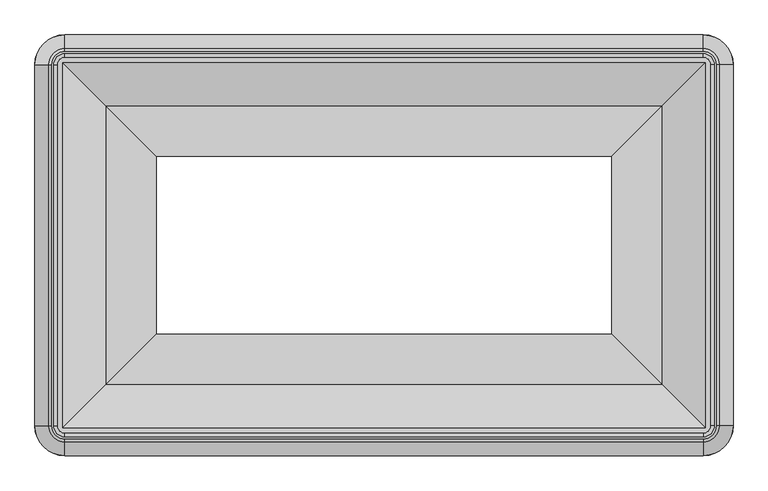
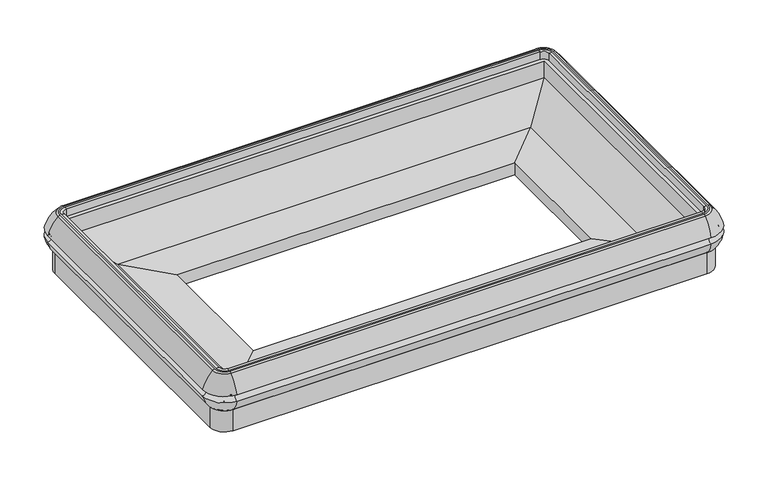
"""IFC4 building model written with IfcOpenShell, lengths in millimetres: proxy geometry."""

from ifc_helpers import new_model, si_unit, point, frame, origin, place, context, project, spatial, polyline, circle_curve, ellipse_curve, trimmed, faceted_brep, source, transform, mapped, element, save
from ifc_brep_helpers import plane_surface, cylinder_surface, revolved_surface, advanced_brep


def mechanical_equipment_9af1dbcc(model_context):
    return source(origin(), model_context, "Body", "SolidModel", [
        advanced_brep(
        [(128.5372773, -1962.3625666, 567.3742005), (128.5372773, -1932.3707266, 504.5515988), (2554.3377227, -1932.3707266, 504.5515988), (2554.3377227, -1962.3625666, 567.3742005), (128.5372773, -1962.1829338, 602.1833335), (2554.3377227, -1962.1829338, 602.1833335), (128.5372773, -1911.1133562, 687.0906109), (2554.3377227, -1911.1133562, 687.0906109), (128.5372773, -1900.315694, 691.321886), (2554.3377227, -1900.315694, 691.321886), (128.5372773, -1877.2754027, 690.9584783), (128.5372773, -1890.77385, 691.321886), (2554.3377227, -1890.77385, 691.321886), (2554.3377227, -1877.2754027, 690.9584783), (128.5372773, -1877.2754027, 649.6873876), (2554.3377227, -1877.2754027, 649.6873876), (128.5372773, -1894.7830557, 530.05355), (128.5372773, -1894.7830557, 649.6873876), (2554.3377227, -1894.7830557, 649.6873876), (2554.3377227, -1894.7830557, 530.05355), (128.5372773, -1855.3824045, 502.405218), (2554.3377227, -1855.3824045, 502.405218), (128.5372773, -1927.6069109, 502.4019738), (2554.3377227, -1927.6069109, 502.4019738), (2667.4554393, -1849.24485, 567.3742005), (2637.4635993, -1849.24485, 504.5515988), (2667.2758065, -1849.24485, 602.1833335), (2616.2062289, -1849.24485, 687.0906109), (2605.4085667, -1849.24485, 691.321886), (2582.3682754, -1849.24485, 690.9584783), (2595.8667227, -1849.24485, 691.321886), (2582.3682754, -1849.24485, 649.6873876), (2599.8759284, -1849.24485, 530.05355), (2599.8759284, -1849.24485, 649.6873876), (2560.4752772, -1849.24485, 502.405218), (2632.6997836, -1849.24485, 502.4019738), (2637.4635993, -477.5444046, 504.5515988), (2667.4554393, -477.5444046, 567.3742005), (2667.2758065, -477.5444046, 602.1833335), (2616.2062289, -477.5444046, 687.0906109), (2605.4085667, -477.5444046, 691.321886), (2595.8667227, -477.5444046, 691.321886), (2582.3682754, -477.5444046, 690.9584783), (2582.3682754, -477.5444046, 649.6873876), (2599.8759284, -477.5444046, 649.6873876), (2599.8759284, -477.5444046, 530.05355), (2560.4752772, -477.5444046, 502.405218), (2632.6997836, -477.5444046, 502.4019738), (2554.3377227, -364.426688, 567.3742005), (2554.3377227, -394.418528, 504.5515988), (2554.3377227, -364.6063208, 602.1833335), (2554.3377227, -415.6758984, 687.0906109), (2554.3377227, -426.4735606, 691.321886), (2554.3377227, -449.5138519, 690.9584783), (2554.3377227, -436.0154046, 691.321886), (2554.3377227, -449.5138519, 649.6873876), (2554.3377227, -432.0061989, 530.05355), (2554.3377227, -432.0061989, 649.6873876), (2554.3377227, -471.4068501, 502.405218), (2554.3377227, -399.1823437, 502.4019738), (128.5372773, -394.418528, 504.5515988), (128.5372773, -364.426688, 567.3742005), (128.5372773, -364.6063208, 602.1833335), (128.5372773, -415.6758984, 687.0906109), (128.5372773, -426.4735606, 691.321886), (128.5372773, -436.0154046, 691.321886), (128.5372773, -449.5138519, 690.9584783), (128.5372773, -449.5138519, 649.6873876), (128.5372773, -432.0061989, 649.6873876), (128.5372773, -432.0061989, 530.05355), (128.5372773, -471.4068501, 502.405218), (128.5372773, -399.1823437, 502.4019738), (128.5372773, -1906.609561, 418.2976265), (128.5372773, -1906.609561, 502.405218), (2554.3377227, -1906.609561, 502.405218), (2554.3377227, -1906.609561, 418.2976265), (128.5372773, -1910.71285, 395.026718), (2554.3377227, -1910.71285, 395.026718), (128.5372773, -1910.71285, 384.485718), (2554.3377227, -1910.71285, 384.485718), (128.5372773, -1925.44485, 502.4019738), (128.5372773, -1925.44485, 384.485718), (2554.3377227, -1925.44485, 384.485718), (2554.3377227, -1925.44485, 502.4019738), (2611.7024337, -1849.24485, 418.2976265), (2611.7024337, -1849.24485, 502.405218), (2615.8057227, -1849.24485, 395.026718), (2615.8057227, -1849.24485, 384.485718), (2630.5377227, -1849.24485, 502.4019738), (2630.5377227, -1849.24485, 384.485718), (2611.7024337, -477.5444046, 502.405218), (2611.7024337, -477.5444046, 418.2976265), (2615.8057227, -477.5444046, 395.026718), (2615.8057227, -477.5444046, 384.485718), (2630.5377227, -477.5444046, 384.485718), (2630.5377227, -477.5444046, 502.4019738), (2554.3377227, -420.1796936, 418.2976265), (2554.3377227, -420.1796936, 502.405218), (2554.3377227, -416.0764046, 395.026718), (2554.3377227, -416.0764046, 384.485718), (2554.3377227, -401.3444046, 502.4019738), (2554.3377227, -401.3444046, 384.485718), (128.5372773, -420.1796936, 502.405218), (128.5372773, -420.1796936, 418.2976265), (128.5372773, -416.0764046, 395.026718), (128.5372773, -416.0764046, 384.485718), (128.5372773, -401.3444046, 384.485718), (128.5372773, -401.3444046, 502.4019738), (15.4195607, -477.5444046, 567.3742005), (45.4114007, -477.5444046, 504.5515988), (15.5991935, -477.5444046, 602.1833335), (66.6687711, -477.5444046, 687.0906109), (77.4664333, -477.5444046, 691.321886), (100.5067246, -477.5444046, 690.9584783), (87.0082773, -477.5444046, 691.321886), (100.5067246, -477.5444046, 649.6873876), (82.9990716, -477.5444046, 530.05355), (82.9990716, -477.5444046, 649.6873876), (122.3997228, -477.5444046, 502.405218), (71.1725663, -477.5444046, 418.2976265), (71.1725663, -477.5444046, 502.405218), (67.0692773, -477.5444046, 395.026718), (67.0692773, -477.5444046, 384.485718), (52.3372773, -477.5444046, 502.4019738), (52.3372773, -477.5444046, 384.485718), (50.1752164, -477.5444046, 502.4019738), (45.4114007, -1849.24485, 504.5515988), (15.4195607, -1849.24485, 567.3742005), (15.5991935, -1849.24485, 602.1833335), (66.6687711, -1849.24485, 687.0906109), (77.4664333, -1849.24485, 691.321886), (87.0082773, -1849.24485, 691.321886), (100.5067246, -1849.24485, 690.9584783), (100.5067246, -1849.24485, 649.6873876), (82.9990716, -1849.24485, 649.6873876), (82.9990716, -1849.24485, 530.05355), (122.3997228, -1849.24485, 502.405218), (71.1725663, -1849.24485, 502.405218), (71.1725663, -1849.24485, 418.2976265), (67.0692773, -1849.24485, 395.026718), (67.0692773, -1849.24485, 384.485718), (52.3372773, -1849.24485, 384.485718), (52.3372773, -1849.24485, 502.4019738), (50.1752164, -1849.24485, 502.4019738)],
        [
            (0, 1, circle_curve(frame((128.5372773, -1837.1426231, 588.5844274), z_axis=(1.0, 0.0, 0.0), x_axis=(0.0, 1.0, 0.0)), 127.0035747)),
            (1, 2),
            (2, 3, circle_curve(frame((2554.3377227, -1837.1426231, 588.5844274), z_axis=(-1.0, 0.0, 0.0), x_axis=(0.0, 1.0, 0.0)), 127.0035747)),
            (3, 0),
            (4, 0, circle_curve(frame((128.5372773, -1960.5572854, 584.7699144), z_axis=(-1.0, 0.0, 0.0), x_axis=(0.0, 1.0, 0.0)), 17.4891366)),
            (3, 5, circle_curve(frame((2554.3377227, -1960.5572854, 584.7699144), z_axis=(1.0, 0.0, 0.0), x_axis=(0.0, 1.0, 0.0)), 17.4891366)),
            (5, 4),
            (6, 4, circle_curve(frame((128.5372773, -1790.3001749, 556.6123735), z_axis=(1.0, 0.0, 0.0), x_axis=(0.0, 1.0, 0.0)), 177.8212451)),
            (5, 7, circle_curve(frame((2554.3377227, -1790.3001749, 556.6123735), z_axis=(-1.0, 0.0, 0.0), x_axis=(0.0, 1.0, 0.0)), 177.8212451)),
            (7, 6),
            (8, 6, circle_curve(frame((128.5372773, -1900.315694, 675.4291356), z_axis=(1.0, 0.0, 0.0), x_axis=(0.0, 1.0, 0.0)), 15.8927504)),
            (7, 9, circle_curve(frame((2554.3377227, -1900.315694, 675.4291356), z_axis=(-1.0, 0.0, 0.0), x_axis=(0.0, 1.0, 0.0)), 15.8927504)),
            (9, 8),
            (10, 11),
            (11, 12),
            (12, 13),
            (13, 10),
            (14, 10),
            (13, 15),
            (15, 14),
            (16, 17),
            (17, 18),
            (18, 19),
            (19, 16),
            (20, 16),
            (19, 21),
            (21, 20),
            (1, 22, circle_curve(frame((128.5372773, -1927.6069109, 508.7553674), z_axis=(1.0, 0.0, 0.0), x_axis=(0.0, 1.0, 0.0)), 6.3533936)),
            (22, 23),
            (23, 2, circle_curve(frame((2554.3377227, -1927.6069109, 508.7553674), z_axis=(-1.0, 0.0, 0.0), x_axis=(0.0, 1.0, 0.0)), 6.3533936)),
            (24, 3, circle_curve(frame((2554.3377227, -1849.24485, 567.3742005), z_axis=(0.0, 0.0, -1.0), x_axis=(0.0, -1.0, 0.0)), 113.1177166)),
            (2, 25, circle_curve(frame((2554.3377227, -1849.24485, 504.5515988), z_axis=(0.0, 0.0, 1.0), x_axis=(0.0, -1.0, 0.0)), 83.1258766)),
            (25, 24, circle_curve(frame((2542.2354958, -1849.24485, 588.5844274), z_axis=(0.0, -1.0, 0.0), x_axis=(-1.0, 0.0, 0.0)), 127.0035747)),
            (26, 5, circle_curve(frame((2554.3377227, -1849.24485, 602.1833335), z_axis=(0.0, 0.0, -1.0), x_axis=(0.0, -1.0, 0.0)), 112.9380838)),
            (24, 26, circle_curve(frame((2665.6501581, -1849.24485, 584.7699144), z_axis=(0.0, 1.0, 0.0), x_axis=(-1.0, 0.0, 0.0)), 17.4891366)),
            (27, 7, circle_curve(frame((2554.3377227, -1849.24485, 687.0906109), z_axis=(0.0, 0.0, -1.0), x_axis=(0.0, -1.0, 0.0)), 61.8685062)),
            (26, 27, circle_curve(frame((2495.3930476, -1849.24485, 556.6123735), z_axis=(0.0, -1.0, 0.0), x_axis=(-1.0, 0.0, 0.0)), 177.8212451)),
            (28, 9, circle_curve(frame((2554.3377227, -1849.24485, 691.321886), z_axis=(0.0, 0.0, -1.0), x_axis=(0.0, -1.0, 0.0)), 51.070844)),
            (27, 28, circle_curve(frame((2605.4085667, -1849.24485, 675.4291356), z_axis=(0.0, -1.0, 0.0), x_axis=(-1.0, 0.0, 0.0)), 15.8927504)),
            (29, 13, circle_curve(frame((2554.3377227, -1849.24485, 690.9584783), z_axis=(0.0, 0.0, -1.0), x_axis=(0.0, -1.0, 0.0)), 28.0305527)),
            (12, 30, circle_curve(frame((2554.3377227, -1849.24485, 691.321886), z_axis=(0.0, 0.0, 1.0), x_axis=(0.0, -1.0, 0.0)), 41.529)),
            (30, 29),
            (31, 15, circle_curve(frame((2554.3377227, -1849.24485, 649.6873876), z_axis=(0.0, 0.0, -1.0), x_axis=(0.0, -1.0, 0.0)), 28.0305527)),
            (29, 31),
            (32, 19, circle_curve(frame((2554.3377227, -1849.24485, 530.05355), z_axis=(0.0, 0.0, -1.0), x_axis=(0.0, -1.0, 0.0)), 45.5382057)),
            (18, 33, circle_curve(frame((2554.3377227, -1849.24485, 649.6873876), z_axis=(0.0, 0.0, 1.0), x_axis=(0.0, -1.0, 0.0)), 45.5382057)),
            (33, 32),
            (34, 21, circle_curve(frame((2554.3377227, -1849.24485, 502.405218), z_axis=(0.0, 0.0, -1.0), x_axis=(0.0, -1.0, 0.0)), 6.1375545)),
            (32, 34),
            (23, 35, circle_curve(frame((2554.3377227, -1849.24485, 502.4019738), z_axis=(0.0, 0.0, 1.0), x_axis=(0.0, -1.0, 0.0)), 78.3620609)),
            (35, 25, circle_curve(frame((2632.6997836, -1849.24485, 508.7553674), z_axis=(0.0, -1.0, 0.0), x_axis=(-1.0, 0.0, 0.0)), 6.3533936)),
            (25, 36),
            (36, 37, circle_curve(frame((2542.2354958, -477.5444046, 588.5844274), z_axis=(0.0, -1.0, 0.0), x_axis=(-1.0, 0.0, 0.0)), 127.0035747)),
            (37, 24),
            (37, 38, circle_curve(frame((2665.6501581, -477.5444046, 584.7699144), z_axis=(0.0, 1.0, 0.0), x_axis=(-1.0, 0.0, 0.0)), 17.4891366)),
            (38, 26),
            (38, 39, circle_curve(frame((2495.3930476, -477.5444046, 556.6123735), z_axis=(0.0, -1.0, 0.0), x_axis=(-1.0, 0.0, 0.0)), 177.8212451)),
            (39, 27),
            (39, 40, circle_curve(frame((2605.4085667, -477.5444046, 675.4291356), z_axis=(0.0, -1.0, 0.0), x_axis=(-1.0, 0.0, 0.0)), 15.8927504)),
            (40, 28),
            (30, 41),
            (41, 42),
            (42, 29),
            (42, 43),
            (43, 31),
            (33, 44),
            (44, 45),
            (45, 32),
            (45, 46),
            (46, 34),
            (35, 47),
            (47, 36, circle_curve(frame((2632.6997836, -477.5444046, 508.7553674), z_axis=(0.0, -1.0, 0.0), x_axis=(-1.0, 0.0, 0.0)), 6.3533936)),
            (48, 37, circle_curve(frame((2554.3377227, -477.5444046, 567.3742005), z_axis=(0.0, 0.0, -1.0), x_axis=(1.0, 0.0, 0.0)), 113.1177166)),
            (36, 49, circle_curve(frame((2554.3377227, -477.5444046, 504.5515988), z_axis=(0.0, 0.0, 1.0), x_axis=(1.0, 0.0, 0.0)), 83.1258766)),
            (49, 48, circle_curve(frame((2554.3377227, -489.6466315, 588.5844274), z_axis=(1.0, 0.0, 0.0), x_axis=(0.0, -1.0, 0.0)), 127.0035747)),
            (50, 38, circle_curve(frame((2554.3377227, -477.5444046, 602.1833335), z_axis=(0.0, 0.0, -1.0), x_axis=(1.0, 0.0, 0.0)), 112.9380838)),
            (48, 50, circle_curve(frame((2554.3377227, -366.2319692, 584.7699144), z_axis=(-1.0, 0.0, 0.0), x_axis=(0.0, -1.0, 0.0)), 17.4891366)),
            (51, 39, circle_curve(frame((2554.3377227, -477.5444046, 687.0906109), z_axis=(0.0, 0.0, -1.0), x_axis=(1.0, 0.0, 0.0)), 61.8685062)),
            (50, 51, circle_curve(frame((2554.3377227, -536.4890797, 556.6123735), z_axis=(1.0, 0.0, 0.0), x_axis=(0.0, -1.0, 0.0)), 177.8212451)),
            (52, 40, circle_curve(frame((2554.3377227, -477.5444046, 691.321886), z_axis=(0.0, 0.0, -1.0), x_axis=(1.0, 0.0, 0.0)), 51.070844)),
            (51, 52, circle_curve(frame((2554.3377227, -426.4735606, 675.4291356), z_axis=(1.0, 0.0, 0.0), x_axis=(0.0, -1.0, 0.0)), 15.8927504)),
            (53, 42, circle_curve(frame((2554.3377227, -477.5444046, 690.9584783), z_axis=(0.0, 0.0, -1.0), x_axis=(1.0, 0.0, 0.0)), 28.0305527)),
            (41, 54, circle_curve(frame((2554.3377227, -477.5444046, 691.321886), z_axis=(0.0, 0.0, 1.0), x_axis=(1.0, 0.0, 0.0)), 41.529)),
            (54, 53),
            (55, 43, circle_curve(frame((2554.3377227, -477.5444046, 649.6873876), z_axis=(0.0, 0.0, -1.0), x_axis=(1.0, 0.0, 0.0)), 28.0305527)),
            (53, 55),
            (56, 45, circle_curve(frame((2554.3377227, -477.5444046, 530.05355), z_axis=(0.0, 0.0, -1.0), x_axis=(1.0, 0.0, 0.0)), 45.5382057)),
            (44, 57, circle_curve(frame((2554.3377227, -477.5444046, 649.6873876), z_axis=(0.0, 0.0, 1.0), x_axis=(1.0, 0.0, 0.0)), 45.5382057)),
            (57, 56),
            (58, 46, circle_curve(frame((2554.3377227, -477.5444046, 502.405218), z_axis=(0.0, 0.0, -1.0), x_axis=(1.0, 0.0, 0.0)), 6.1375545)),
            (56, 58),
            (47, 59, circle_curve(frame((2554.3377227, -477.5444046, 502.4019738), z_axis=(0.0, 0.0, 1.0), x_axis=(1.0, 0.0, 0.0)), 78.3620609)),
            (59, 49, circle_curve(frame((2554.3377227, -399.1823437, 508.7553674), z_axis=(1.0, 0.0, 0.0), x_axis=(0.0, -1.0, 0.0)), 6.3533936)),
            (49, 60),
            (60, 61, circle_curve(frame((128.5372773, -489.6466315, 588.5844274), z_axis=(1.0, 0.0, 0.0), x_axis=(0.0, -1.0, 0.0)), 127.0035747)),
            (61, 48),
            (61, 62, circle_curve(frame((128.5372773, -366.2319692, 584.7699144), z_axis=(-1.0, 0.0, 0.0), x_axis=(0.0, -1.0, 0.0)), 17.4891366)),
            (62, 50),
            (62, 63, circle_curve(frame((128.5372773, -536.4890797, 556.6123735), z_axis=(1.0, 0.0, 0.0), x_axis=(0.0, -1.0, 0.0)), 177.8212451)),
            (63, 51),
            (63, 64, circle_curve(frame((128.5372773, -426.4735606, 675.4291356), z_axis=(1.0, 0.0, 0.0), x_axis=(0.0, -1.0, 0.0)), 15.8927504)),
            (64, 52),
            (54, 65),
            (65, 66),
            (66, 53),
            (66, 67),
            (67, 55),
            (57, 68),
            (68, 69),
            (69, 56),
            (69, 70),
            (70, 58),
            (59, 71),
            (71, 60, circle_curve(frame((128.5372773, -399.1823437, 508.7553674), z_axis=(1.0, 0.0, 0.0), x_axis=(0.0, -1.0, 0.0)), 6.3533936)),
            (72, 73),
            (73, 74),
            (74, 75),
            (75, 72),
            (76, 72),
            (75, 77),
            (77, 76),
            (78, 76),
            (77, 79),
            (79, 78),
            (80, 81),
            (81, 82),
            (82, 83),
            (83, 80),
            (84, 75, circle_curve(frame((2554.3377227, -1849.24485, 418.2976265), z_axis=(0.0, 0.0, -1.0), x_axis=(0.0, -1.0, 0.0)), 57.364711)),
            (74, 85, circle_curve(frame((2554.3377227, -1849.24485, 502.405218), z_axis=(0.0, 0.0, 1.0), x_axis=(0.0, -1.0, 0.0)), 57.364711)),
            (85, 84),
            (86, 77, circle_curve(frame((2554.3377227, -1849.24485, 395.026718), z_axis=(0.0, 0.0, -1.0), x_axis=(0.0, -1.0, 0.0)), 61.468)),
            (84, 86),
            (87, 79, circle_curve(frame((2554.3377227, -1849.24485, 384.485718), z_axis=(0.0, 0.0, -1.0), x_axis=(0.0, -1.0, 0.0)), 61.468)),
            (86, 87),
            (88, 83, circle_curve(frame((2554.3377227, -1849.24485, 502.4019738), z_axis=(0.0, 0.0, -1.0), x_axis=(0.0, -1.0, 0.0)), 76.2)),
            (82, 89, circle_curve(frame((2554.3377227, -1849.24485, 384.485718), z_axis=(0.0, 0.0, 1.0), x_axis=(0.0, -1.0, 0.0)), 76.2)),
            (89, 88),
            (85, 90),
            (90, 91),
            (91, 84),
            (91, 92),
            (92, 86),
            (92, 93),
            (93, 87),
            (89, 94),
            (94, 95),
            (95, 88),
            (96, 91, circle_curve(frame((2554.3377227, -477.5444046, 418.2976265), z_axis=(0.0, 0.0, -1.0), x_axis=(1.0, 0.0, 0.0)), 57.364711)),
            (90, 97, circle_curve(frame((2554.3377227, -477.5444046, 502.405218), z_axis=(0.0, 0.0, 1.0), x_axis=(1.0, 0.0, 0.0)), 57.364711)),
            (97, 96),
            (98, 92, circle_curve(frame((2554.3377227, -477.5444046, 395.026718), z_axis=(0.0, 0.0, -1.0), x_axis=(1.0, 0.0, 0.0)), 61.468)),
            (96, 98),
            (99, 93, circle_curve(frame((2554.3377227, -477.5444046, 384.485718), z_axis=(0.0, 0.0, -1.0), x_axis=(1.0, 0.0, 0.0)), 61.468)),
            (98, 99),
            (100, 95, circle_curve(frame((2554.3377227, -477.5444046, 502.4019738), z_axis=(0.0, 0.0, -1.0), x_axis=(1.0, 0.0, 0.0)), 76.2)),
            (94, 101, circle_curve(frame((2554.3377227, -477.5444046, 384.485718), z_axis=(0.0, 0.0, 1.0), x_axis=(1.0, 0.0, 0.0)), 76.2)),
            (101, 100),
            (97, 102),
            (102, 103),
            (103, 96),
            (103, 104),
            (104, 98),
            (104, 105),
            (105, 99),
            (101, 106),
            (106, 107),
            (107, 100),
            (108, 61, circle_curve(frame((128.5372773, -477.5444046, 567.3742005), z_axis=(0.0, 0.0, -1.0), x_axis=(0.0, 1.0, 0.0)), 113.1177166)),
            (60, 109, circle_curve(frame((128.5372773, -477.5444046, 504.5515988), z_axis=(0.0, 0.0, 1.0), x_axis=(0.0, 1.0, 0.0)), 83.1258766)),
            (109, 108, circle_curve(frame((140.6395042, -477.5444046, 588.5844274), z_axis=(0.0, 1.0, 0.0), x_axis=(1.0, 0.0, 0.0)), 127.0035747)),
            (110, 62, circle_curve(frame((128.5372773, -477.5444046, 602.1833335), z_axis=(0.0, 0.0, -1.0), x_axis=(0.0, 1.0, 0.0)), 112.9380838)),
            (108, 110, circle_curve(frame((17.2248419, -477.5444046, 584.7699144), z_axis=(0.0, -1.0, 0.0), x_axis=(1.0, 0.0, 0.0)), 17.4891366)),
            (111, 63, circle_curve(frame((128.5372773, -477.5444046, 687.0906109), z_axis=(0.0, 0.0, -1.0), x_axis=(0.0, 1.0, 0.0)), 61.8685062)),
            (110, 111, circle_curve(frame((187.4819524, -477.5444046, 556.6123735), z_axis=(0.0, 1.0, 0.0), x_axis=(1.0, 0.0, 0.0)), 177.8212451)),
            (112, 64, circle_curve(frame((128.5372773, -477.5444046, 691.321886), z_axis=(0.0, 0.0, -1.0), x_axis=(0.0, 1.0, 0.0)), 51.070844)),
            (111, 112, circle_curve(frame((77.4664333, -477.5444046, 675.4291356), z_axis=(0.0, 1.0, 0.0), x_axis=(1.0, 0.0, 0.0)), 15.8927504)),
            (113, 66, circle_curve(frame((128.5372773, -477.5444046, 690.9584783), z_axis=(0.0, 0.0, -1.0), x_axis=(0.0, 1.0, 0.0)), 28.0305527)),
            (65, 114, circle_curve(frame((128.5372773, -477.5444046, 691.321886), z_axis=(0.0, 0.0, 1.0), x_axis=(0.0, 1.0, 0.0)), 41.529)),
            (114, 113),
            (115, 67, circle_curve(frame((128.5372773, -477.5444046, 649.6873876), z_axis=(0.0, 0.0, -1.0), x_axis=(0.0, 1.0, 0.0)), 28.0305527)),
            (113, 115),
            (116, 69, circle_curve(frame((128.5372773, -477.5444046, 530.05355), z_axis=(0.0, 0.0, -1.0), x_axis=(0.0, 1.0, 0.0)), 45.5382057)),
            (68, 117, circle_curve(frame((128.5372773, -477.5444046, 649.6873876), z_axis=(0.0, 0.0, 1.0), x_axis=(0.0, 1.0, 0.0)), 45.5382057)),
            (117, 116),
            (118, 70, circle_curve(frame((128.5372773, -477.5444046, 502.405218), z_axis=(0.0, 0.0, -1.0), x_axis=(0.0, 1.0, 0.0)), 6.1375545)),
            (116, 118),
            (119, 103, circle_curve(frame((128.5372773, -477.5444046, 418.2976265), z_axis=(0.0, 0.0, -1.0), x_axis=(0.0, 1.0, 0.0)), 57.364711)),
            (102, 120, circle_curve(frame((128.5372773, -477.5444046, 502.405218), z_axis=(0.0, 0.0, 1.0), x_axis=(0.0, 1.0, 0.0)), 57.364711)),
            (120, 119),
            (121, 104, circle_curve(frame((128.5372773, -477.5444046, 395.026718), z_axis=(0.0, 0.0, -1.0), x_axis=(0.0, 1.0, 0.0)), 61.468)),
            (119, 121),
            (122, 105, circle_curve(frame((128.5372773, -477.5444046, 384.485718), z_axis=(0.0, 0.0, -1.0), x_axis=(0.0, 1.0, 0.0)), 61.468)),
            (121, 122),
            (123, 107, circle_curve(frame((128.5372773, -477.5444046, 502.4019738), z_axis=(0.0, 0.0, -1.0), x_axis=(0.0, 1.0, 0.0)), 76.2)),
            (106, 124, circle_curve(frame((128.5372773, -477.5444046, 384.485718), z_axis=(0.0, 0.0, 1.0), x_axis=(0.0, 1.0, 0.0)), 76.2)),
            (124, 123),
            (71, 125, circle_curve(frame((128.5372773, -477.5444046, 502.4019738), z_axis=(0.0, 0.0, 1.0), x_axis=(0.0, 1.0, 0.0)), 78.3620609)),
            (125, 109, circle_curve(frame((50.1752164, -477.5444046, 508.7553674), z_axis=(0.0, 1.0, 0.0), x_axis=(1.0, 0.0, 0.0)), 6.3533936)),
            (109, 126),
            (126, 127, circle_curve(frame((140.6395042, -1849.24485, 588.5844274), z_axis=(0.0, 1.0, 0.0), x_axis=(1.0, 0.0, 0.0)), 127.0035747)),
            (127, 108),
            (127, 128, circle_curve(frame((17.2248419, -1849.24485, 584.7699144), z_axis=(0.0, -1.0, 0.0), x_axis=(1.0, 0.0, 0.0)), 17.4891366)),
            (128, 110),
            (128, 129, circle_curve(frame((187.4819524, -1849.24485, 556.6123735), z_axis=(0.0, 1.0, 0.0), x_axis=(1.0, 0.0, 0.0)), 177.8212451)),
            (129, 111),
            (129, 130, circle_curve(frame((77.4664333, -1849.24485, 675.4291356), z_axis=(0.0, 1.0, 0.0), x_axis=(1.0, 0.0, 0.0)), 15.8927504)),
            (130, 112),
            (114, 131),
            (131, 132),
            (132, 113),
            (132, 133),
            (133, 115),
            (117, 134),
            (134, 135),
            (135, 116),
            (135, 136),
            (136, 118),
            (120, 137),
            (137, 138),
            (138, 119),
            (138, 139),
            (139, 121),
            (139, 140),
            (140, 122),
            (124, 141),
            (141, 142),
            (142, 123),
            (125, 143),
            (143, 126, circle_curve(frame((50.1752164, -1849.24485, 508.7553674), z_axis=(0.0, 1.0, 0.0), x_axis=(1.0, 0.0, 0.0)), 6.3533936)),
            (0, 127, circle_curve(frame((128.5372773, -1849.24485, 567.3742005), z_axis=(0.0, 0.0, -1.0), x_axis=(-1.0, 0.0, 0.0)), 113.1177166)),
            (126, 1, circle_curve(frame((128.5372773, -1849.24485, 504.5515988), z_axis=(0.0, 0.0, 1.0), x_axis=(-1.0, 0.0, 0.0)), 83.1258766)),
            (4, 128, circle_curve(frame((128.5372773, -1849.24485, 602.1833335), z_axis=(0.0, 0.0, -1.0), x_axis=(-1.0, 0.0, 0.0)), 112.9380838)),
            (6, 129, circle_curve(frame((128.5372773, -1849.24485, 687.0906109), z_axis=(0.0, 0.0, -1.0), x_axis=(-1.0, 0.0, 0.0)), 61.8685062)),
            (8, 130, circle_curve(frame((128.5372773, -1849.24485, 691.321886), z_axis=(0.0, 0.0, -1.0), x_axis=(-1.0, 0.0, 0.0)), 51.070844)),
            (11, 131, circle_curve(frame((128.5372773, -1849.24485, 691.321886), z_axis=(0.0, 0.0, -1.0), x_axis=(-1.0, 0.0, 0.0)), 41.529)),
            (10, 132, circle_curve(frame((128.5372773, -1849.24485, 690.9584783), z_axis=(0.0, 0.0, -1.0), x_axis=(-1.0, 0.0, 0.0)), 28.0305527)),
            (14, 133, circle_curve(frame((128.5372773, -1849.24485, 649.6873876), z_axis=(0.0, 0.0, -1.0), x_axis=(-1.0, 0.0, 0.0)), 28.0305527)),
            (17, 134, circle_curve(frame((128.5372773, -1849.24485, 649.6873876), z_axis=(0.0, 0.0, -1.0), x_axis=(-1.0, 0.0, 0.0)), 45.5382057)),
            (16, 135, circle_curve(frame((128.5372773, -1849.24485, 530.05355), z_axis=(0.0, 0.0, -1.0), x_axis=(-1.0, 0.0, 0.0)), 45.5382057)),
            (20, 136, circle_curve(frame((128.5372773, -1849.24485, 502.405218), z_axis=(0.0, 0.0, -1.0), x_axis=(-1.0, 0.0, 0.0)), 6.1375545)),
            (73, 137, circle_curve(frame((128.5372773, -1849.24485, 502.405218), z_axis=(0.0, 0.0, -1.0), x_axis=(-1.0, 0.0, 0.0)), 57.364711)),
            (72, 138, circle_curve(frame((128.5372773, -1849.24485, 418.2976265), z_axis=(0.0, 0.0, -1.0), x_axis=(-1.0, 0.0, 0.0)), 57.364711)),
            (76, 139, circle_curve(frame((128.5372773, -1849.24485, 395.026718), z_axis=(0.0, 0.0, -1.0), x_axis=(-1.0, 0.0, 0.0)), 61.468)),
            (78, 140, circle_curve(frame((128.5372773, -1849.24485, 384.485718), z_axis=(0.0, 0.0, -1.0), x_axis=(-1.0, 0.0, 0.0)), 61.468)),
            (81, 141, circle_curve(frame((128.5372773, -1849.24485, 384.485718), z_axis=(0.0, 0.0, -1.0), x_axis=(-1.0, 0.0, 0.0)), 76.2)),
            (80, 142, circle_curve(frame((128.5372773, -1849.24485, 502.4019738), z_axis=(0.0, 0.0, -1.0), x_axis=(-1.0, 0.0, 0.0)), 76.2)),
            (22, 143, circle_curve(frame((128.5372773, -1849.24485, 502.4019738), z_axis=(0.0, 0.0, -1.0), x_axis=(-1.0, 0.0, 0.0)), 78.3620609)),
        ],
        [
            cylinder_surface(frame((128.5372773, -1837.1426231, 588.5844274), z_axis=(-1.0, 0.0, 0.0), x_axis=(0.0, 1.0, 0.0)), 127.0035747),
            revolved_surface(polyline([(2554.3377227, -1943.0681488, 584.7699144), (128.5372773, -1943.0681488, 584.7699144)]), (128.5372773, -1960.5572854, 584.7699144), (1.0, 0.0, 0.0)),
            cylinder_surface(frame((128.5372773, -1790.3001749, 556.6123735), z_axis=(-1.0, 0.0, 0.0), x_axis=(0.0, 1.0, 0.0)), 177.8212451),
            cylinder_surface(frame((128.5372773, -1900.315694, 675.4291356), z_axis=(-1.0, 0.0, 0.0), x_axis=(0.0, 1.0, 0.0)), 15.8927504),
            plane_surface(frame((128.5372773, -1890.77385, 691.321886), z_axis=(0.0, 0.026912433548100627, 0.9996377948639793), x_axis=(1.0, 0.0, 0.0))),
            plane_surface(frame((128.5372773, -1877.2754027, 690.9584783), z_axis=(0.0, 1.0, 0.0), x_axis=(1.0, 0.0, 0.0))),
            plane_surface(frame((128.5372773, -1894.7830557, 649.6873876), z_axis=(0.0, 1.0, 0.0), x_axis=(1.0, 0.0, 0.0))),
            plane_surface(frame((128.5372773, -1894.7830557, 530.05355), z_axis=(0.0, 0.574408378166725, 0.818568882313439), x_axis=(1.0, 0.0, 0.0))),
            cylinder_surface(frame((128.5372773, -1927.6069109, 508.7553674), z_axis=(-1.0, 0.0, 0.0), x_axis=(0.0, 1.0, 0.0)), 6.3533936),
            revolved_surface(trimmed(ellipse_curve(frame((2554.3377227, -1837.1426231, 588.5844274), z_axis=(-1.0, 0.0, 0.0), x_axis=(0.0, 1.0, 0.0)), 127.0035747, 127.0035747), [point((2554.3377227, -1932.3707266, 504.5515988))], [point((2554.3377227, -1962.3625666, 567.3742005))], True, "CARTESIAN"), (2554.3377227, -1849.24485, 0.0), (0.0, 0.0, 1.0)),
            revolved_surface(trimmed(ellipse_curve(frame((2554.3377227, -1960.5572854, 584.7699144), z_axis=(1.0, 0.0, 0.0), x_axis=(0.0, 1.0, 0.0)), 17.4891366, 17.4891366), [point((2554.3377227, -1962.3625666, 567.3742005))], [point((2554.3377227, -1962.1829338, 602.1833335))], True, "CARTESIAN"), (2554.3377227, -1849.24485, 0.0), (0.0, 0.0, 1.0)),
            revolved_surface(trimmed(ellipse_curve(frame((2554.3377227, -1790.3001749, 556.6123735), z_axis=(-1.0, 0.0, 0.0), x_axis=(0.0, 1.0, 0.0)), 177.8212451, 177.8212451), [point((2554.3377227, -1962.1829338, 602.1833335))], [point((2554.3377227, -1911.1133562, 687.0906109))], True, "CARTESIAN"), (2554.3377227, -1849.24485, 0.0), (0.0, 0.0, 1.0)),
            revolved_surface(trimmed(ellipse_curve(frame((2554.3377227, -1900.315694, 675.4291356), z_axis=(-1.0, 0.0, 0.0), x_axis=(0.0, 1.0, 0.0)), 15.8927504, 15.8927504), [point((2554.3377227, -1911.1133562, 687.0906109))], [point((2554.3377227, -1900.315694, 691.321886))], True, "CARTESIAN"), (2554.3377227, -1849.24485, 0.0), (0.0, 0.0, 1.0)),
            revolved_surface(polyline([(2554.3377227, -1890.77385, 691.321886), (2554.3377227, -1877.2754027, 690.9584783)]), (2554.3377227, -1849.24485, 0.0), (0.0, 0.0, 1.0)),
            revolved_surface(polyline([(2554.3377227, -1877.2754027, 690.9584783), (2554.3377227, -1877.2754027, 649.6873876)]), (2554.3377227, -1849.24485, 0.0), (0.0, 0.0, 1.0)),
            revolved_surface(polyline([(2554.3377227, -1894.7830557, 649.6873876), (2554.3377227, -1894.7830557, 530.05355)]), (2554.3377227, -1849.24485, 0.0), (0.0, 0.0, 1.0)),
            revolved_surface(polyline([(2554.3377227, -1894.7830557, 530.05355), (2554.3377227, -1855.3824045, 502.405218)]), (2554.3377227, -1849.24485, 0.0), (0.0, 0.0, 1.0)),
            revolved_surface(trimmed(ellipse_curve(frame((2554.3377227, -1927.6069109, 508.7553674), z_axis=(-1.0, 0.0, 0.0), x_axis=(0.0, 1.0, 0.0)), 6.3533936, 6.3533936), [point((2554.3377227, -1927.6069109, 502.4019738))], [point((2554.3377227, -1932.3707266, 504.5515988))], True, "CARTESIAN"), (2554.3377227, -1849.24485, 0.0), (0.0, 0.0, 1.0)),
            cylinder_surface(frame((2542.2354958, -1849.24485, 588.5844274), z_axis=(0.0, -1.0, 0.0), x_axis=(-1.0, 0.0, 0.0)), 127.0035747),
            revolved_surface(polyline([(2648.1610215, -477.5444046, 584.7699144), (2648.1610215, -1849.24485, 584.7699144)]), (2665.6501581, -1849.24485, 584.7699144), (0.0, 1.0, 0.0)),
            cylinder_surface(frame((2495.3930476, -1849.24485, 556.6123735), z_axis=(0.0, -1.0, 0.0), x_axis=(-1.0, 0.0, 0.0)), 177.8212451),
            cylinder_surface(frame((2605.4085667, -1849.24485, 675.4291356), z_axis=(0.0, -1.0, 0.0), x_axis=(-1.0, 0.0, 0.0)), 15.8927504),
            plane_surface(frame((2595.8667227, -1849.24485, 691.321886), z_axis=(-0.026912433548100627, 0.0, 0.9996377948639793), x_axis=(0.0, 1.0, 0.0))),
            plane_surface(frame((2582.3682754, -1849.24485, 690.9584783), z_axis=(-1.0, 0.0, 0.0), x_axis=(0.0, 1.0, 0.0))),
            plane_surface(frame((2599.8759284, -1849.24485, 649.6873876), z_axis=(-1.0, 0.0, 0.0), x_axis=(0.0, 1.0, 0.0))),
            plane_surface(frame((2599.8759284, -1849.24485, 530.05355), z_axis=(-0.574408378166725, 0.0, 0.818568882313439), x_axis=(0.0, 1.0, 0.0))),
            cylinder_surface(frame((2632.6997836, -1849.24485, 508.7553674), z_axis=(0.0, -1.0, 0.0), x_axis=(-1.0, 0.0, 0.0)), 6.3533936),
            revolved_surface(trimmed(ellipse_curve(frame((2542.2354958, -477.5444046, 588.5844274), z_axis=(0.0, -1.0, 0.0), x_axis=(-1.0, 0.0, 0.0)), 127.0035747, 127.0035747), [point((2637.4635993, -477.5444046, 504.5515988))], [point((2667.4554393, -477.5444046, 567.3742005))], True, "CARTESIAN"), (2554.3377227, -477.5444046, 0.0), (0.0, 0.0, 1.0)),
            revolved_surface(trimmed(ellipse_curve(frame((2665.6501581, -477.5444046, 584.7699144), z_axis=(0.0, 1.0, 0.0), x_axis=(-1.0, 0.0, 0.0)), 17.4891366, 17.4891366), [point((2667.4554393, -477.5444046, 567.3742005))], [point((2667.2758065, -477.5444046, 602.1833335))], True, "CARTESIAN"), (2554.3377227, -477.5444046, 0.0), (0.0, 0.0, 1.0)),
            revolved_surface(trimmed(ellipse_curve(frame((2495.3930476, -477.5444046, 556.6123735), z_axis=(0.0, -1.0, 0.0), x_axis=(-1.0, 0.0, 0.0)), 177.8212451, 177.8212451), [point((2667.2758065, -477.5444046, 602.1833335))], [point((2616.2062289, -477.5444046, 687.0906109))], True, "CARTESIAN"), (2554.3377227, -477.5444046, 0.0), (0.0, 0.0, 1.0)),
            revolved_surface(trimmed(ellipse_curve(frame((2605.4085667, -477.5444046, 675.4291356), z_axis=(0.0, -1.0, 0.0), x_axis=(-1.0, 0.0, 0.0)), 15.8927504, 15.8927504), [point((2616.2062289, -477.5444046, 687.0906109))], [point((2605.4085667, -477.5444046, 691.321886))], True, "CARTESIAN"), (2554.3377227, -477.5444046, 0.0), (0.0, 0.0, 1.0)),
            revolved_surface(polyline([(2595.8667227, -477.5444046, 691.321886), (2582.3682754, -477.5444046, 690.9584783)]), (2554.3377227, -477.5444046, 0.0), (0.0, 0.0, 1.0)),
            revolved_surface(polyline([(2582.3682754, -477.5444046, 690.9584783), (2582.3682754, -477.5444046, 649.6873876)]), (2554.3377227, -477.5444046, 0.0), (0.0, 0.0, 1.0)),
            revolved_surface(polyline([(2599.8759284000002, -477.5444046, 649.6873876), (2599.8759284000002, -477.5444046, 530.05355)]), (2554.3377227, -477.5444046, 0.0), (0.0, 0.0, 1.0)),
            revolved_surface(polyline([(2599.8759284, -477.5444046, 530.05355), (2560.4752772, -477.5444046, 502.405218)]), (2554.3377227, -477.5444046, 0.0), (0.0, 0.0, 1.0)),
            revolved_surface(trimmed(ellipse_curve(frame((2632.6997836, -477.5444046, 508.7553674), z_axis=(0.0, -1.0, 0.0), x_axis=(-1.0, 0.0, 0.0)), 6.3533936, 6.3533936), [point((2632.6997836, -477.5444046, 502.4019738))], [point((2637.4635993, -477.5444046, 504.5515988))], True, "CARTESIAN"), (2554.3377227, -477.5444046, 0.0), (0.0, 0.0, 1.0)),
            cylinder_surface(frame((2554.3377227, -489.6466315, 588.5844274), z_axis=(1.0, 0.0, 0.0), x_axis=(0.0, -1.0, 0.0)), 127.0035747),
            revolved_surface(polyline([(128.53727729999991, -383.7211058, 584.7699144), (2554.3377227, -383.7211058, 584.7699144)]), (2554.3377227, -366.2319692, 584.7699144), (-1.0, 0.0, 0.0)),
            cylinder_surface(frame((2554.3377227, -536.4890797, 556.6123735), z_axis=(1.0, 0.0, 0.0), x_axis=(0.0, -1.0, 0.0)), 177.8212451),
            cylinder_surface(frame((2554.3377227, -426.4735606, 675.4291356), z_axis=(1.0, 0.0, 0.0), x_axis=(0.0, -1.0, 0.0)), 15.8927504),
            plane_surface(frame((2554.3377227, -436.0154046, 691.321886), z_axis=(0.0, -0.026912433548100627, 0.9996377948639793), x_axis=(-1.0, 0.0, 0.0))),
            plane_surface(frame((2554.3377227, -449.5138519, 690.9584783), z_axis=(0.0, -1.0, 0.0), x_axis=(-1.0, 0.0, 0.0))),
            plane_surface(frame((2554.3377227, -432.0061989, 649.6873876), z_axis=(0.0, -1.0, 0.0), x_axis=(-1.0, 0.0, 0.0))),
            plane_surface(frame((2554.3377227, -432.0061989, 530.05355), z_axis=(0.0, -0.574408378166725, 0.818568882313439), x_axis=(-1.0, 0.0, 0.0))),
            cylinder_surface(frame((2554.3377227, -399.1823437, 508.7553674), z_axis=(1.0, 0.0, 0.0), x_axis=(0.0, -1.0, 0.0)), 6.3533936),
            plane_surface(frame((128.5372773, -1906.609561, 502.405218), z_axis=(0.0, 1.0, 0.0), x_axis=(1.0, 0.0, 0.0))),
            plane_surface(frame((128.5372773, -1906.609561, 418.2976265), z_axis=(0.0, 0.9848077530122078, -0.173648177666932), x_axis=(1.0, 0.0, 0.0))),
            plane_surface(frame((128.5372773, -1910.71285, 395.026718), z_axis=(0.0, 1.0, 0.0), x_axis=(1.0, 0.0, 0.0))),
            plane_surface(frame((128.5372773, -1925.44485, 384.485718), z_axis=(0.0, -1.0, 0.0), x_axis=(1.0, 0.0, 0.0))),
            revolved_surface(polyline([(2554.3377227, -1906.609561, 502.405218), (2554.3377227, -1906.609561, 418.2976265)]), (2554.3377227, -1849.24485, 0.0), (0.0, 0.0, 1.0)),
            revolved_surface(polyline([(2554.3377227, -1906.609561, 418.2976265), (2554.3377227, -1910.71285, 395.026718)]), (2554.3377227, -1849.24485, 0.0), (0.0, 0.0, 1.0)),
            revolved_surface(polyline([(2554.3377227, -1910.7128500000001, 395.026718), (2554.3377227, -1910.7128500000001, 384.485718)]), (2554.3377227, -1849.24485, 0.0), (0.0, 0.0, 1.0)),
            cylinder_surface(frame((2554.3377227, -1849.24485, 0.0), z_axis=(0.0, 0.0, 1.0), x_axis=(0.0, -1.0, 0.0)), 76.2),
            plane_surface(frame((2611.7024337, -1849.24485, 502.405218), z_axis=(-1.0, 0.0, 0.0), x_axis=(0.0, 1.0, 0.0))),
            plane_surface(frame((2611.7024337, -1849.24485, 418.2976265), z_axis=(-0.9848077530122078, 0.0, -0.173648177666932), x_axis=(0.0, 1.0, 0.0))),
            plane_surface(frame((2615.8057227, -1849.24485, 395.026718), z_axis=(-1.0, 0.0, 0.0), x_axis=(0.0, 1.0, 0.0))),
            plane_surface(frame((2630.5377227, -1849.24485, 384.485718), z_axis=(1.0, 0.0, 0.0), x_axis=(0.0, 1.0, 0.0))),
            revolved_surface(polyline([(2611.7024337000003, -477.5444046, 502.405218), (2611.7024337000003, -477.5444046, 418.2976265)]), (2554.3377227, -477.5444046, 0.0), (0.0, 0.0, 1.0)),
            revolved_surface(polyline([(2611.7024337, -477.5444046, 418.2976265), (2615.8057227, -477.5444046, 395.026718)]), (2554.3377227, -477.5444046, 0.0), (0.0, 0.0, 1.0)),
            revolved_surface(polyline([(2615.8057227, -477.5444046, 395.026718), (2615.8057227, -477.5444046, 384.485718)]), (2554.3377227, -477.5444046, 0.0), (0.0, 0.0, 1.0)),
            cylinder_surface(frame((2554.3377227, -477.5444046, 0.0), z_axis=(0.0, 0.0, 1.0), x_axis=(1.0, 0.0, 0.0)), 76.2),
            plane_surface(frame((2554.3377227, -420.1796936, 502.405218), z_axis=(0.0, -1.0, 0.0), x_axis=(-1.0, 0.0, 0.0))),
            plane_surface(frame((2554.3377227, -420.1796936, 418.2976265), z_axis=(0.0, -0.9848077530122078, -0.173648177666932), x_axis=(-1.0, 0.0, 0.0))),
            plane_surface(frame((2554.3377227, -416.0764046, 395.026718), z_axis=(0.0, -1.0, 0.0), x_axis=(-1.0, 0.0, 0.0))),
            plane_surface(frame((2554.3377227, -401.3444046, 384.485718), z_axis=(0.0, 1.0, 0.0), x_axis=(-1.0, 0.0, 0.0))),
            revolved_surface(trimmed(ellipse_curve(frame((128.5372773, -489.6466315, 588.5844274), z_axis=(1.0, 0.0, 0.0), x_axis=(0.0, -1.0, 0.0)), 127.0035747, 127.0035747), [point((128.5372773, -394.418528, 504.5515988))], [point((128.5372773, -364.426688, 567.3742005))], True, "CARTESIAN"), (128.5372773, -477.5444046, 0.0), (0.0, 0.0, 1.0)),
            revolved_surface(trimmed(ellipse_curve(frame((128.5372773, -366.2319692, 584.7699144), z_axis=(-1.0, 0.0, 0.0), x_axis=(0.0, -1.0, 0.0)), 17.4891366, 17.4891366), [point((128.5372773, -364.426688, 567.3742005))], [point((128.5372773, -364.6063208, 602.1833335))], True, "CARTESIAN"), (128.5372773, -477.5444046, 0.0), (0.0, 0.0, 1.0)),
            revolved_surface(trimmed(ellipse_curve(frame((128.5372773, -536.4890797, 556.6123735), z_axis=(1.0, 0.0, 0.0), x_axis=(0.0, -1.0, 0.0)), 177.8212451, 177.8212451), [point((128.5372773, -364.6063208, 602.1833335))], [point((128.5372773, -415.6758984, 687.0906109))], True, "CARTESIAN"), (128.5372773, -477.5444046, 0.0), (0.0, 0.0, 1.0)),
            revolved_surface(trimmed(ellipse_curve(frame((128.5372773, -426.4735606, 675.4291356), z_axis=(1.0, 0.0, 0.0), x_axis=(0.0, -1.0, 0.0)), 15.8927504, 15.8927504), [point((128.5372773, -415.6758984, 687.0906109))], [point((128.5372773, -426.4735606, 691.321886))], True, "CARTESIAN"), (128.5372773, -477.5444046, 0.0), (0.0, 0.0, 1.0)),
            revolved_surface(polyline([(128.5372773, -436.0154046, 691.321886), (128.5372773, -449.5138519, 690.9584783)]), (128.5372773, -477.5444046, 0.0), (0.0, 0.0, 1.0)),
            revolved_surface(polyline([(128.5372773, -449.5138519, 690.9584783), (128.5372773, -449.5138519, 649.6873876)]), (128.5372773, -477.5444046, 0.0), (0.0, 0.0, 1.0)),
            revolved_surface(polyline([(128.5372773, -432.0061989, 649.6873876), (128.5372773, -432.0061989, 530.05355)]), (128.5372773, -477.5444046, 0.0), (0.0, 0.0, 1.0)),
            revolved_surface(polyline([(128.5372773, -432.0061989, 530.05355), (128.5372773, -471.4068501, 502.405218)]), (128.5372773, -477.5444046, 0.0), (0.0, 0.0, 1.0)),
            revolved_surface(polyline([(128.5372773, -420.1796936, 502.405218), (128.5372773, -420.1796936, 418.2976265)]), (128.5372773, -477.5444046, 0.0), (0.0, 0.0, 1.0)),
            revolved_surface(polyline([(128.5372773, -420.1796936, 418.2976265), (128.5372773, -416.0764046, 395.026718)]), (128.5372773, -477.5444046, 0.0), (0.0, 0.0, 1.0)),
            revolved_surface(polyline([(128.5372773, -416.0764046, 395.026718), (128.5372773, -416.0764046, 384.485718)]), (128.5372773, -477.5444046, 0.0), (0.0, 0.0, 1.0)),
            cylinder_surface(frame((128.5372773, -477.5444046, 0.0), z_axis=(0.0, 0.0, 1.0), x_axis=(0.0, 1.0, 0.0)), 76.2),
            revolved_surface(trimmed(ellipse_curve(frame((128.5372773, -399.1823437, 508.7553674), z_axis=(1.0, 0.0, 0.0), x_axis=(0.0, -1.0, 0.0)), 6.3533936, 6.3533936), [point((128.5372773, -399.1823437, 502.4019738))], [point((128.5372773, -394.418528, 504.5515988))], True, "CARTESIAN"), (128.5372773, -477.5444046, 0.0), (0.0, 0.0, 1.0)),
            cylinder_surface(frame((140.6395042, -477.5444046, 588.5844274), z_axis=(0.0, 1.0, 0.0), x_axis=(1.0, 0.0, 0.0)), 127.0035747),
            revolved_surface(polyline([(34.713978499999996, -1849.24485, 584.7699144), (34.713978499999996, -477.5444046, 584.7699144)]), (17.2248419, -477.5444046, 584.7699144), (0.0, -1.0, 0.0)),
            cylinder_surface(frame((187.4819524, -477.5444046, 556.6123735), z_axis=(0.0, 1.0, 0.0), x_axis=(1.0, 0.0, 0.0)), 177.8212451),
            cylinder_surface(frame((77.4664333, -477.5444046, 675.4291356), z_axis=(0.0, 1.0, 0.0), x_axis=(1.0, 0.0, 0.0)), 15.8927504),
            plane_surface(frame((87.0082773, -477.5444046, 691.321886), z_axis=(0.026912433548100627, 0.0, 0.9996377948639793), x_axis=(0.0, -1.0, 0.0))),
            plane_surface(frame((100.5067246, -477.5444046, 690.9584783), z_axis=(1.0, 0.0, 0.0), x_axis=(0.0, -1.0, 0.0))),
            plane_surface(frame((82.9990716, -477.5444046, 649.6873876), z_axis=(1.0, 0.0, 0.0), x_axis=(0.0, -1.0, 0.0))),
            plane_surface(frame((82.9990716, -477.5444046, 530.05355), z_axis=(0.574408378166725, 0.0, 0.818568882313439), x_axis=(0.0, -1.0, 0.0))),
            plane_surface(frame((71.1725663, -477.5444046, 502.405218), z_axis=(1.0, 0.0, 0.0), x_axis=(0.0, -1.0, 0.0))),
            plane_surface(frame((71.1725663, -477.5444046, 418.2976265), z_axis=(0.9848077530122078, 0.0, -0.173648177666932), x_axis=(0.0, -1.0, 0.0))),
            plane_surface(frame((67.0692773, -477.5444046, 395.026718), z_axis=(1.0, 0.0, 0.0), x_axis=(0.0, -1.0, 0.0))),
            plane_surface(frame((52.3372773, -477.5444046, 384.485718), z_axis=(-1.0, 0.0, 0.0), x_axis=(0.0, -1.0, 0.0))),
            cylinder_surface(frame((50.1752164, -477.5444046, 508.7553674), z_axis=(0.0, 1.0, 0.0), x_axis=(1.0, 0.0, 0.0)), 6.3533936),
            revolved_surface(trimmed(ellipse_curve(frame((140.6395042, -1849.24485, 588.5844274), z_axis=(0.0, 1.0, 0.0), x_axis=(1.0, 0.0, 0.0)), 127.0035747, 127.0035747), [point((45.4114007, -1849.24485, 504.5515988))], [point((15.4195607, -1849.24485, 567.3742005))], True, "CARTESIAN"), (128.5372773, -1849.24485, 0.0), (0.0, 0.0, 1.0)),
            revolved_surface(trimmed(ellipse_curve(frame((17.2248419, -1849.24485, 584.7699144), z_axis=(0.0, -1.0, 0.0), x_axis=(1.0, 0.0, 0.0)), 17.4891366, 17.4891366), [point((15.4195607, -1849.24485, 567.3742005))], [point((15.5991935, -1849.24485, 602.1833335))], True, "CARTESIAN"), (128.5372773, -1849.24485, 0.0), (0.0, 0.0, 1.0)),
            revolved_surface(trimmed(ellipse_curve(frame((187.4819524, -1849.24485, 556.6123735), z_axis=(0.0, 1.0, 0.0), x_axis=(1.0, 0.0, 0.0)), 177.8212451, 177.8212451), [point((15.5991935, -1849.24485, 602.1833335))], [point((66.6687711, -1849.24485, 687.0906109))], True, "CARTESIAN"), (128.5372773, -1849.24485, 0.0), (0.0, 0.0, 1.0)),
            revolved_surface(trimmed(ellipse_curve(frame((77.4664333, -1849.24485, 675.4291356), z_axis=(0.0, 1.0, 0.0), x_axis=(1.0, 0.0, 0.0)), 15.8927504, 15.8927504), [point((66.6687711, -1849.24485, 687.0906109))], [point((77.4664333, -1849.24485, 691.321886))], True, "CARTESIAN"), (128.5372773, -1849.24485, 0.0), (0.0, 0.0, 1.0)),
            plane_surface(frame((128.5372773, -1849.24485, 691.321886), z_axis=(0.0, 0.0, 1.0), x_axis=(-1.0, 0.0, 0.0))),
            revolved_surface(polyline([(87.0082773, -1849.24485, 691.321886), (100.5067246, -1849.24485, 690.9584783)]), (128.5372773, -1849.24485, 0.0), (0.0, 0.0, 1.0)),
            revolved_surface(polyline([(100.5067246, -1849.24485, 690.9584783), (100.5067246, -1849.24485, 649.6873876)]), (128.5372773, -1849.24485, 0.0), (0.0, 0.0, 1.0)),
            plane_surface(frame((128.5372773, -1849.24485, 649.6873876), z_axis=(0.0, 0.0, -1.0), x_axis=(-1.0, 0.0, 0.0))),
            revolved_surface(polyline([(82.99907160000001, -1849.24485, 649.6873876), (82.99907160000001, -1849.24485, 530.05355)]), (128.5372773, -1849.24485, 0.0), (0.0, 0.0, 1.0)),
            revolved_surface(polyline([(82.9990716, -1849.24485, 530.05355), (122.3997228, -1849.24485, 502.405218)]), (128.5372773, -1849.24485, 0.0), (0.0, 0.0, 1.0)),
            plane_surface(frame((128.5372773, -1849.24485, 502.405218), z_axis=(0.0, 0.0, -1.0), x_axis=(-1.0, 0.0, 0.0))),
            revolved_surface(polyline([(71.1725663, -1849.24485, 502.405218), (71.1725663, -1849.24485, 418.2976265)]), (128.5372773, -1849.24485, 0.0), (0.0, 0.0, 1.0)),
            revolved_surface(polyline([(71.1725663, -1849.24485, 418.2976265), (67.0692773, -1849.24485, 395.026718)]), (128.5372773, -1849.24485, 0.0), (0.0, 0.0, 1.0)),
            revolved_surface(polyline([(67.0692773, -1849.24485, 395.026718), (67.0692773, -1849.24485, 384.485718)]), (128.5372773, -1849.24485, 0.0), (0.0, 0.0, 1.0)),
            plane_surface(frame((128.5372773, -1849.24485, 384.485718), z_axis=(0.0, 0.0, -1.0), x_axis=(-1.0, 0.0, 0.0))),
            cylinder_surface(frame((128.5372773, -1849.24485, 0.0), z_axis=(0.0, 0.0, 1.0), x_axis=(-1.0, 0.0, 0.0)), 76.2),
            plane_surface(frame((128.5372773, -1849.24485, 502.4019738), z_axis=(0.0, 0.0, -1.0), x_axis=(-1.0, 0.0, 0.0))),
            revolved_surface(trimmed(ellipse_curve(frame((50.1752164, -1849.24485, 508.7553674), z_axis=(0.0, 1.0, 0.0), x_axis=(1.0, 0.0, 0.0)), 6.3533936, 6.3533936), [point((50.1752164, -1849.24485, 502.4019738))], [point((45.4114007, -1849.24485, 504.5515988))], True, "CARTESIAN"), (128.5372773, -1849.24485, 0.0), (0.0, 0.0, 1.0)),
        ],
        [
            (0, [[1, 2, 3, 4]]),
            (1, [[5, -4, 6, 7]]),
            (2, [[8, -7, 9, 10]]),
            (3, [[11, -10, 12, 13]]),
            (4, [[14, 15, 16, 17]]),
            (5, [[18, -17, 19, 20]]),
            (6, [[21, 22, 23, 24]]),
            (7, [[25, -24, 26, 27]]),
            (8, [[28, 29, 30, -2]]),
            (9, [[31, -3, 32, 33]]),
            (10, [[34, -6, -31, 35]]),
            (11, [[36, -9, -34, 37]]),
            (12, [[38, -12, -36, 39]]),
            (13, [[40, -16, 41, 42]]),
            (14, [[43, -19, -40, 44]]),
            (15, [[45, -23, 46, 47]]),
            (16, [[48, -26, -45, 49]]),
            (17, [[-32, -30, 50, 51]]),
            (18, [[-33, 52, 53, 54]]),
            (19, [[-35, -54, 55, 56]]),
            (20, [[-37, -56, 57, 58]]),
            (21, [[-39, -58, 59, 60]]),
            (22, [[-42, 61, 62, 63]]),
            (23, [[-44, -63, 64, 65]]),
            (24, [[-47, 66, 67, 68]]),
            (25, [[-49, -68, 69, 70]]),
            (26, [[-51, 71, 72, -52]]),
            (27, [[73, -53, 74, 75]]),
            (28, [[76, -55, -73, 77]]),
            (29, [[78, -57, -76, 79]]),
            (30, [[80, -59, -78, 81]]),
            (31, [[82, -62, 83, 84]]),
            (32, [[85, -64, -82, 86]]),
            (33, [[87, -67, 88, 89]]),
            (34, [[90, -69, -87, 91]]),
            (35, [[-74, -72, 92, 93]]),
            (36, [[-75, 94, 95, 96]]),
            (37, [[-77, -96, 97, 98]]),
            (38, [[-79, -98, 99, 100]]),
            (39, [[-81, -100, 101, 102]]),
            (40, [[-84, 103, 104, 105]]),
            (41, [[-86, -105, 106, 107]]),
            (42, [[-89, 108, 109, 110]]),
            (43, [[-91, -110, 111, 112]]),
            (44, [[-93, 113, 114, -94]]),
            (45, [[115, 116, 117, 118]]),
            (46, [[119, -118, 120, 121]]),
            (47, [[122, -121, 123, 124]]),
            (48, [[125, 126, 127, 128]]),
            (49, [[129, -117, 130, 131]]),
            (50, [[132, -120, -129, 133]]),
            (51, [[134, -123, -132, 135]]),
            (52, [[136, -127, 137, 138]]),
            (53, [[-131, 139, 140, 141]]),
            (54, [[-133, -141, 142, 143]]),
            (55, [[-135, -143, 144, 145]]),
            (56, [[-138, 146, 147, 148]]),
            (57, [[149, -140, 150, 151]]),
            (58, [[152, -142, -149, 153]]),
            (59, [[154, -144, -152, 155]]),
            (60, [[156, -147, 157, 158]]),
            (61, [[-151, 159, 160, 161]]),
            (62, [[-153, -161, 162, 163]]),
            (63, [[-155, -163, 164, 165]]),
            (64, [[-158, 166, 167, 168]]),
            (65, [[169, -95, 170, 171]]),
            (66, [[172, -97, -169, 173]]),
            (67, [[174, -99, -172, 175]]),
            (68, [[176, -101, -174, 177]]),
            (69, [[178, -104, 179, 180]]),
            (70, [[181, -106, -178, 182]]),
            (71, [[183, -109, 184, 185]]),
            (72, [[186, -111, -183, 187]]),
            (73, [[188, -160, 189, 190]]),
            (74, [[191, -162, -188, 192]]),
            (75, [[193, -164, -191, 194]]),
            (76, [[195, -167, 196, 197]]),
            (77, [[-170, -114, 198, 199]]),
            (78, [[-171, 200, 201, 202]]),
            (79, [[-173, -202, 203, 204]]),
            (80, [[-175, -204, 205, 206]]),
            (81, [[-177, -206, 207, 208]]),
            (82, [[-180, 209, 210, 211]]),
            (83, [[-182, -211, 212, 213]]),
            (84, [[-185, 214, 215, 216]]),
            (85, [[-187, -216, 217, 218]]),
            (86, [[-190, 219, 220, 221]]),
            (87, [[-192, -221, 222, 223]]),
            (88, [[-194, -223, 224, 225]]),
            (89, [[-197, 226, 227, 228]]),
            (90, [[-199, 229, 230, -200]]),
            (91, [[231, -201, 232, -1]]),
            (92, [[233, -203, -231, -5]]),
            (93, [[234, -205, -233, -8]]),
            (94, [[235, -207, -234, -11]]),
            (95, [[-176, -208, -235, -13, -38, -60, -80, -102], [236, -209, -179, -103, -83, -61, -41, -15]]),
            (96, [[237, -210, -236, -14]]),
            (97, [[238, -212, -237, -18]]),
            (98, [[239, -214, -184, -108, -88, -66, -46, -22], [-181, -213, -238, -20, -43, -65, -85, -107]]),
            (99, [[240, -215, -239, -21]]),
            (100, [[241, -217, -240, -25]]),
            (101, [[242, -219, -189, -159, -150, -139, -130, -116], [-186, -218, -241, -27, -48, -70, -90, -112]]),
            (102, [[243, -220, -242, -115]]),
            (103, [[244, -222, -243, -119]]),
            (104, [[245, -224, -244, -122]]),
            (105, [[246, -226, -196, -166, -157, -146, -137, -126], [-193, -225, -245, -124, -134, -145, -154, -165]]),
            (106, [[247, -227, -246, -125]]),
            (107, [[248, -229, -198, -113, -92, -71, -50, -29], [-195, -228, -247, -128, -136, -148, -156, -168]]),
            (108, [[-232, -230, -248, -28]]),
        ],
    ),
        faceted_brep([(211.7811434, -1781.4205446, 450.5138342), (137.8239068, -1855.3777812, 502.405218), (2545.0510932, -1855.3777812, 502.405218), (2471.0938566, -1781.4205446, 450.5138342), (86.592127, -1906.609561, 418.2976265), (2596.282873, -1906.609561, 418.2976265), (2545.0510932, -471.4114734, 502.405218), (2471.0938566, -545.36871, 450.5138342), (2596.282873, -420.1796936, 418.2976265), (137.8239068, -471.4114734, 502.405218), (211.7811434, -545.36871, 450.5138342), (86.592127, -420.1796936, 418.2976265), (86.592127, -1906.609561, 502.405218), (2596.282873, -1906.609561, 502.405218), (2596.282873, -420.1796936, 502.405218), (86.592127, -420.1796936, 502.405218)], [[[0, 1, 2, 3]], [[4, 0, 3, 5]], [[3, 2, 6, 7]], [[5, 3, 7, 8]], [[7, 6, 9, 10]], [[8, 7, 10, 11]], [[12, 4, 5, 13]], [[13, 5, 8, 14]], [[14, 8, 11, 15]], [[10, 9, 1, 0]], [[11, 10, 0, 4]], [[15, 11, 4, 12]], [[13, 14, 15, 12], [1, 9, 6, 2]]]),
        faceted_brep([(82.9990716, -1894.7830557, 530.05355), (304.4851114, -1673.2970159, 374.65), (2378.3898886, -1673.2970159, 374.65), (2599.8759284, -1894.7830557, 530.05355), (82.9990716, -1894.7830557, 649.6873876), (2599.8759284, -1894.7830557, 649.6873876), (120.7307716, -1857.0513557, 561.0048878), (120.7307716, -1857.0513557, 649.6873876), (2562.1442284, -1857.0513557, 649.6873876), (2562.1442284, -1857.0513557, 561.0048878), (283.782503, -1693.9996243, 446.8348083), (2399.092497, -1693.9996243, 446.8348083), (475.9351114, -1501.8470159, 439.7810985), (2206.9398886, -1501.8470159, 439.7810985), (475.9351114, -1501.8470159, 374.65), (2206.9398886, -1501.8470159, 374.65), (2378.3898886, -653.4922387, 374.65), (2599.8759284, -432.0061989, 530.05355), (2599.8759284, -432.0061989, 649.6873876), (2562.1442284, -469.7378989, 649.6873876), (2562.1442284, -469.7378989, 561.0048878), (2399.092497, -632.7896303, 446.8348083), (2206.9398886, -824.9422387, 439.7810985), (2206.9398886, -824.9422387, 374.65), (304.4851114, -653.4922387, 374.65), (82.9990716, -432.0061989, 530.05355), (82.9990716, -432.0061989, 649.6873876), (120.7307716, -469.7378989, 649.6873876), (120.7307716, -469.7378989, 561.0048878), (283.782503, -632.7896303, 446.8348083), (475.9351114, -824.9422387, 439.7810985), (475.9351114, -824.9422387, 374.65)], [[[0, 1, 2, 3]], [[4, 0, 3, 5]], [[6, 7, 8, 9]], [[10, 6, 9, 11]], [[12, 10, 11, 13]], [[14, 12, 13, 15]], [[3, 2, 16, 17]], [[5, 3, 17, 18]], [[9, 8, 19, 20]], [[11, 9, 20, 21]], [[13, 11, 21, 22]], [[15, 13, 22, 23]], [[17, 16, 24, 25]], [[18, 17, 25, 26]], [[20, 19, 27, 28]], [[21, 20, 28, 29]], [[22, 21, 29, 30]], [[23, 22, 30, 31]], [[25, 24, 1, 0]], [[26, 25, 0, 4]], [[5, 18, 26, 4], [7, 27, 19, 8]], [[28, 27, 7, 6]], [[29, 28, 6, 10]], [[30, 29, 10, 12]], [[31, 30, 12, 14]], [[1, 24, 16, 2], [15, 23, 31, 14]]]),
    ])


if __name__ == "__main__":
    model = new_model("IFC4")
    model_context = context("Model", 3, world=origin())
    ifc_project = project(units=[si_unit("LENGTHUNIT", "METRE", prefix="MILLI")], contexts=[model_context])
    site = spatial("IfcSite", under=ifc_project)
    building = spatial("IfcBuilding", under=site)
    placement = place(None, origin())
    mechanical_equipment_shape = mechanical_equipment_9af1dbcc(model_context)
    element("IfcBuildingElementProxy", 1, Name="Mechanical Equipment", at=placement, inside=building, context=model_context, shape_type="MappedRepresentation", body=[
        mapped(mechanical_equipment_shape, transform((0.0, 0.0, 0.0), x_axis=(1.0, 0.0, 0.0), y_axis=(0.0, 1.0, 0.0), z_axis=(0.0, 0.0, 1.0))),
    ])
    save(model, "model.ifc")
